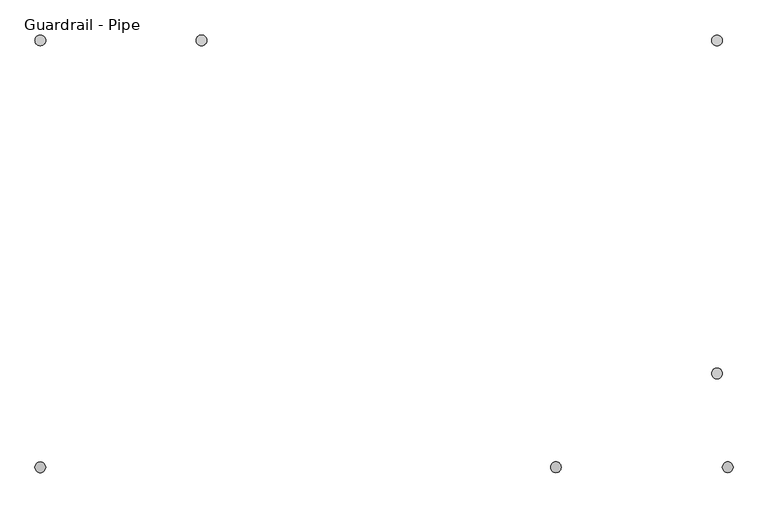
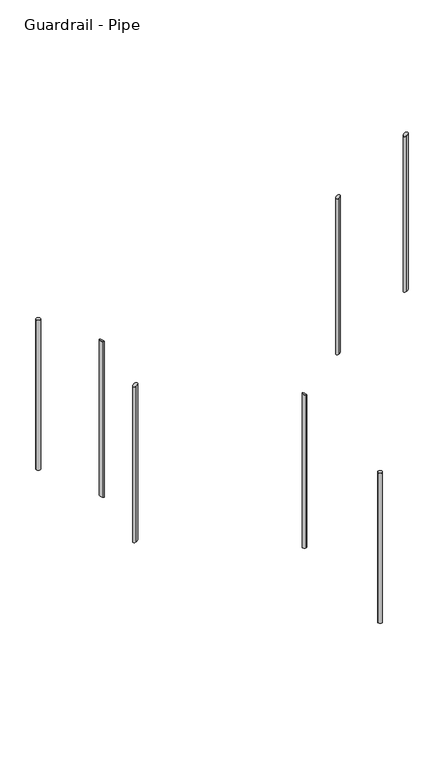
"""IFC4 building model written with IfcOpenShell, lengths in millimetres: railing geometry, Guardrail - Pipe."""

import ifcopenshell
import ifcopenshell.guid

model = None  # the IFC model being written
_history = None  # IfcOwnerHistory: only IFC2X3 demands one
_inside = {}  # id of a spatial element -> (the spatial element, [elements in it])
_under = {}  # id of a project, library or spatial element -> (it, [spatial elements below it])
_declared = {}  # id of a project -> (the project, [libraries it declares])
_typed = {}  # id of a type object -> (the type object, [elements of that type])
_made_of = {}  # id of a material, layer set ... -> (it, [elements and type objects made of it])


def new_model(schema):
    """Start an empty IFC model of exactly this schema.

    Asked for "IFC4X3", IfcOpenShell would pick the latest addendum, in which some entities
    have other attributes; the version numbers below select the first issue.
    IFC2X3 requires an IfcOwnerHistory on every rooted entity: one is made here for all.
    """
    global model, _history
    if schema == "IFC4X3":
        model = ifcopenshell.file(schema_version=(4, 3, 0, 0))
    else:
        model = ifcopenshell.file(schema=schema)
    _inside.clear()
    _under.clear()
    _declared.clear()
    _typed.clear()
    _made_of.clear()
    _history = None
    if model.schema == "IFC2X3":
        org = make("IfcOrganization", Name="unknown")
        user = make(
            "IfcPersonAndOrganization",
            ThePerson=make("IfcPerson", FamilyName="unknown"),
            TheOrganization=org,
        )
        app = make(
            "IfcApplication",
            ApplicationDeveloper=org,
            Version="unknown",
            ApplicationFullName="unknown",
            ApplicationIdentifier="unknown",
        )
        _history = make(
            "IfcOwnerHistory",
            OwningUser=user,
            OwningApplication=app,
            ChangeAction="ADDED",
            CreationDate=0,
        )
    return model


def make(cls, **values):
    """One entity of the class cls with the attributes given. An attribute that is None is left unset."""
    return model.create_entity(
        cls, **{name: value for name, value in values.items() if value is not None}
    )


def rooted(cls, **values):
    """An entity with a GlobalId (a new one), such as an element, a storey or a relation."""
    return make(cls, GlobalId=ifcopenshell.guid.new(), OwnerHistory=_history, **values)


def si_unit(unit_type, name, prefix=None):
    """IfcSIUnit, for example si_unit("LENGTHUNIT", "METRE", prefix="MILLI")."""
    return make("IfcSIUnit", UnitType=unit_type, Prefix=prefix, Name=name)


def assignment(units):
    """IfcUnitAssignment: the units of a project."""
    return None if units is None else make("IfcUnitAssignment", Units=units)


def point(xyz):
    """IfcCartesianPoint."""
    return None if xyz is None else make("IfcCartesianPoint", Coordinates=xyz)


def direction(xyz):
    """IfcDirection."""
    return None if xyz is None else make("IfcDirection", DirectionRatios=xyz)


def frame(location, z_axis=None, x_axis=None):
    """IfcAxis2Placement3D, a coordinate frame: its origin and axes. An axis left out is left unset."""
    return make(
        "IfcAxis2Placement3D",
        Location=point(location),
        Axis=direction(z_axis),
        RefDirection=direction(x_axis),
    )


def frame_2d(location, x_axis=None):
    """IfcAxis2Placement2D, a coordinate frame in the plane: its origin and x axis."""
    return make(
        "IfcAxis2Placement2D", Location=point(location), RefDirection=direction(x_axis)
    )


def origin():
    """The frame at (0, 0, 0) with its axes left unset."""
    return frame((0.0, 0.0, 0.0))


def place(relative_to, where):
    """IfcLocalPlacement: puts the frame where relative to a parent placement (None: the world)."""
    return make(
        "IfcLocalPlacement", PlacementRelTo=relative_to, RelativePlacement=where
    )


def context(
    kind, dimensions, precision=None, world=None, true_north=None, identifier=None
):
    """IfcGeometricRepresentationContext, for example the 3D "Model" context."""
    return make(
        "IfcGeometricRepresentationContext",
        ContextIdentifier=identifier,
        ContextType=kind,
        CoordinateSpaceDimension=dimensions,
        Precision=precision,
        WorldCoordinateSystem=world,
        TrueNorth=true_north,
    )


def project(units=None, contexts=None):
    """IfcProject with its units and contexts."""
    return rooted(
        "IfcProject",
        Name="project",
        RepresentationContexts=contexts,
        UnitsInContext=assignment(units),
    )


def spatial(cls, under=None, at=None, **own):
    """A site, building, storey or space (cls), placed at a placement, below another one or the project."""
    s = rooted(cls, ObjectPlacement=at, **own)
    if under is not None:
        _under.setdefault(under.id(), (under, []))[1].append(s)
    return s


def circle_curve(where, radius):
    """IfcCircle in the frame where."""
    return make("IfcCircle", Position=where, Radius=radius)


def ellipse_curve(where, semi_axis1, semi_axis2):
    """IfcEllipse in the frame where."""
    return make(
        "IfcEllipse", Position=where, SemiAxis1=semi_axis1, SemiAxis2=semi_axis2
    )


def trimmed(basis, trim1, trim2, sense, master):
    """IfcTrimmedCurve: the piece of a basis curve between two trims."""
    return make(
        "IfcTrimmedCurve",
        BasisCurve=basis,
        Trim1=trim1,
        Trim2=trim2,
        SenseAgreement=sense,
        MasterRepresentation=master,
    )


def segment(curve, same_sense, transition):
    """IfcCompositeCurveSegment."""
    return make(
        "IfcCompositeCurveSegment",
        Transition=transition,
        SameSense=same_sense,
        ParentCurve=curve,
    )


def composite_curve(segments, self_intersect=None):
    """IfcCompositeCurve: segments joined end to end."""
    return make("IfcCompositeCurve", Segments=segments, SelfIntersect=self_intersect)


def outline(outer, holes=None, kind="AREA"):
    """IfcArbitraryClosedProfileDef: a profile drawn as a closed curve; with holes, ...WithVoids."""
    if holes is None:
        return make("IfcArbitraryClosedProfileDef", ProfileType=kind, OuterCurve=outer)
    return make(
        "IfcArbitraryProfileDefWithVoids",
        ProfileType=kind,
        OuterCurve=outer,
        InnerCurves=holes,
    )


def extrude(swept, where, along, depth):
    """IfcExtrudedAreaSolid: the profile swept, set in the frame where, extruded along a direction by depth."""
    return make(
        "IfcExtrudedAreaSolid",
        SweptArea=swept,
        Position=where,
        ExtrudedDirection=direction(along),
        Depth=depth,
    )


def shape(context_of_items, identifier, shape_type, items):
    """IfcShapeRepresentation: the items that make up one representation, for example the "Body"."""
    return make(
        "IfcShapeRepresentation",
        ContextOfItems=context_of_items,
        RepresentationIdentifier=identifier,
        RepresentationType=shape_type,
        Items=items,
    )


def source(mapping_origin, context_of_items, identifier, shape_type, items):
    """IfcRepresentationMap: a shape defined once, which mapped items show again and again."""
    return make(
        "IfcRepresentationMap",
        MappingOrigin=mapping_origin,
        MappedRepresentation=shape(context_of_items, identifier, shape_type, items),
    )


def transform(
    local_origin,
    x_axis=None,
    y_axis=None,
    z_axis=None,
    scale=None,
    scale2=None,
    scale3=None,
    uniform=True,
):
    """IfcCartesianTransformationOperator3D, or its non-uniform kind. x_axis, y_axis, z_axis: its Axis1, 2, 3."""
    if uniform:
        return make(
            "IfcCartesianTransformationOperator3D",
            Axis1=direction(x_axis),
            Axis2=direction(y_axis),
            LocalOrigin=point(local_origin),
            Scale=scale,
            Axis3=direction(z_axis),
        )
    return make(
        "IfcCartesianTransformationOperator3DnonUniform",
        Axis1=direction(x_axis),
        Axis2=direction(y_axis),
        LocalOrigin=point(local_origin),
        Scale=scale,
        Axis3=direction(z_axis),
        Scale2=scale2,
        Scale3=scale3,
    )


def mapped(mapping_source, mapping_target):
    """IfcMappedItem: shows the shape of a source again, moved by a transform."""
    return make(
        "IfcMappedItem", MappingSource=mapping_source, MappingTarget=mapping_target
    )


def made_of(thing, what):
    """Note that an element or type object is made of a material, layer set ...; save() writes the relation."""
    if what is not None:
        _made_of.setdefault(what.id(), (what, []))[1].append(thing)
    return thing


def element(
    cls,
    number,
    at=None,
    inside=None,
    cuts=None,
    type_object=None,
    material=None,
    context=None,
    identifier="Body",
    shape_type=None,
    held_by="IfcProductDefinitionShape",
    body=None,
    shapes=None,
    **own,
):
    """One element of the class cls, such as IfcWall. Its Tag is "e" and its number.

    at: its placement. inside: the storey or other place that contains it. cuts: it is an
    opening in that element (IfcRelVoidsElement). A single representation is given by context,
    identifier, shape_type and body (its items); several are given by shapes. held_by: the class
    of the entity that holds the representations. save() writes the other relations.
    """
    e = rooted(cls, Tag="e%d" % number, ObjectPlacement=at, **own)
    if body is not None:
        shapes = [shape(context, identifier, shape_type, body)]
    if shapes is not None:
        e.Representation = make(held_by, Representations=shapes)
    if inside is not None:
        _inside.setdefault(inside.id(), (inside, []))[1].append(e)
    if cuts is not None:
        rooted(
            "IfcRelVoidsElement", RelatingBuildingElement=cuts, RelatedOpeningElement=e
        )
    if type_object is not None:
        _typed.setdefault(type_object.id(), (type_object, []))[1].append(e)
    return made_of(e, material)


def aggregate(whole, parts):
    """IfcRelAggregates: a whole, such as a stair, and the parts it consists of."""
    return rooted("IfcRelAggregates", RelatingObject=whole, RelatedObjects=parts)


def save(model, path):
    """Write the relations noted so far, then the file.

    IfcRelAggregates (storeys below a building ...), IfcRelContainedInSpatialStructure (elements
    in a storey), IfcRelDefinesByType, IfcRelAssociatesMaterial and IfcRelDeclares: one each for
    every whole, place, type object, material and project.
    """
    for whole, parts in _under.values():
        aggregate(whole, parts)
    for where, things in _inside.values():
        rooted(
            "IfcRelContainedInSpatialStructure",
            RelatedElements=things,
            RelatingStructure=where,
        )
    for kind, things in _typed.values():
        rooted("IfcRelDefinesByType", RelatedObjects=things, RelatingType=kind)
    for what, things in _made_of.values():
        rooted("IfcRelAssociatesMaterial", RelatedObjects=things, RelatingMaterial=what)
    for by, libraries in _declared.values():
        rooted("IfcRelDeclares", RelatingContext=by, RelatedDefinitions=libraries)
    model.write(path)


def plane_surface(at):
    """IfcPlane: the flat surface through the origin of the frame at, square to its z axis."""
    return make("IfcPlane", Position=at)


def cylinder_surface(at, radius):
    """IfcCylindricalSurface: all points at the distance radius from the z axis of the frame at."""
    return make("IfcCylindricalSurface", Position=at, Radius=radius)


def advanced_brep(points, edges, surfaces, faces):
    """IfcAdvancedBrep: a solid bounded by faces that lie on surfaces and meet in shared edges.

    An edge is (start, end): straight between two places in points (the first is 0);
    or (start, end, curve); or (start, end, curve, False) where it runs against its curve.
    A face is (place in surfaces, loops), or (place, loops, False) where it looks against
    its surface's normal. A loop lists edges by number (the first is 1), with a minus sign
    where the edge is run from its end to its start. The first loop is the outer one.
    """
    corners = [point(p) for p in points]
    vertices = [make("IfcVertexPoint", VertexGeometry=c) for c in corners]
    made = []
    for start, end, *more in edges:
        made.append(
            make(
                "IfcEdgeCurve",
                EdgeStart=vertices[start],
                EdgeEnd=vertices[end],
                EdgeGeometry=more[0] if more else make("IfcPolyline", Points=[corners[start], corners[end]]),
                SameSense=more[1] if len(more) > 1 else True,
            )
        )
    hull = []
    for where, loops, *sense in faces:
        bounds = []
        for j, loop in enumerate(loops):
            ring = [make("IfcOrientedEdge", EdgeElement=made[abs(k) - 1], Orientation=k > 0) for k in loop]
            bounds.append(
                make(
                    "IfcFaceOuterBound" if j == 0 else "IfcFaceBound",
                    Bound=make("IfcEdgeLoop", EdgeList=ring),
                    Orientation=True,
                )
            )
        hull.append(make("IfcAdvancedFace", Bounds=bounds, FaceSurface=surfaces[where], SameSense=sense[0] if sense else True))
    return make("IfcAdvancedBrep", Outer=make("IfcClosedShell", CfsFaces=hull))


def guardrail_pipe_ece45ab3(model_context):
    return source(origin(), model_context, "Body", "SolidModel", [
        advanced_brep(
        [(41997.1404695, 54183.1229583, 5612.8488816), (41997.1404695, 54157.7229583, 5612.8488816), (41997.1404695, 54157.7229583, 4624.8911772), (41997.1404695, 54183.1229583, 4624.8911772)],
        [
            (0, 1, ellipse_curve(frame((41997.1404695, 54170.4229583, 5612.8488816), z_axis=(0.5326562891180752, 0.0, -0.8463316593764891), x_axis=(0.8463316593764891, 0.0, 0.5326562891180748)), 15.0059375, 12.7)),
            (1, 2),
            (2, 3, ellipse_curve(frame((41997.1404695, 54170.4229583, 4624.8911772), z_axis=(-0.5326562891180766, 0.0, 0.8463316593764881), x_axis=(0.846331659376488, 0.0, 0.5326562891180766)), 15.0059375, 12.7)),
            (3, 0),
            (3, 2, ellipse_curve(frame((41997.1404695, 54170.4229583, 4624.8911772), z_axis=(-0.5326562891180766, 0.0, 0.8463316593764881), x_axis=(0.846331659376488, 0.0, 0.5326562891180766)), 15.0059375, 12.7)),
            (1, 0, ellipse_curve(frame((41997.1404695, 54170.4229583, 5612.8488816), z_axis=(0.5326562891180752, 0.0, -0.8463316593764891), x_axis=(0.8463316593764891, 0.0, 0.5326562891180748)), 15.0059375, 12.7)),
        ],
        [
            cylinder_surface(frame((41997.1404695, 54170.4229583, 4396.2911772), z_axis=(0.0, 0.0, 1.0), x_axis=(0.0, -1.0, 0.0)), 12.7),
            plane_surface(frame((42022.5404695, 54145.0229583, 5628.8348956), z_axis=(-0.5326562891180752, 0.0, 0.8463316593764891), x_axis=(0.0, 1.0, 0.0))),
            plane_surface(frame((41971.7404695, 54145.0229583, 4608.9051632), z_axis=(0.5326562891180766, 0.0, -0.8463316593764881), x_axis=(0.0, 1.0, 0.0))),
        ],
        [
            (0, [[1, 2, 3, 4]]),
            (0, [[5, -2, 6, -4]]),
            (1, [[-6, -1]]),
            (2, [[-5, -3]]),
        ],
    ),
        advanced_brep(
        [(41158.9404695, 55167.2527338, 4381.9258047), (41158.9404695, 55192.6527338, 4381.9258047), (41158.9404695, 55192.6527338, 3393.9681002), (41158.9404695, 55167.2527338, 3393.9681002)],
        [
            (0, 1, ellipse_curve(frame((41158.9404695, 55179.9527338, 4381.9258047), z_axis=(-0.5326562891180752, 0.0, -0.8463316593764891), x_axis=(-0.8463316593764891, 0.0, 0.5326562891180748)), 15.0059375, 12.7)),
            (1, 2),
            (2, 3, ellipse_curve(frame((41158.9404695, 55179.9527338, 3393.9681002), z_axis=(0.5326562891180766, 0.0, 0.8463316593764881), x_axis=(-0.846331659376488, 0.0, 0.5326562891180766)), 15.0059375, 12.7)),
            (3, 0),
            (3, 2, ellipse_curve(frame((41158.9404695, 55179.9527338, 3393.9681002), z_axis=(0.5326562891180766, 0.0, 0.8463316593764881), x_axis=(-0.846331659376488, 0.0, 0.5326562891180766)), 15.0059375, 12.7)),
            (1, 0, ellipse_curve(frame((41158.9404695, 55179.9527338, 4381.9258047), z_axis=(-0.5326562891180752, 0.0, -0.8463316593764891), x_axis=(-0.8463316593764891, 0.0, 0.5326562891180748)), 15.0059375, 12.7)),
        ],
        [
            cylinder_surface(frame((41158.9404695, 55179.9527338, 3165.3681002), z_axis=(0.0, 0.0, 1.0), x_axis=(0.0, 1.0, 0.0)), 12.7),
            plane_surface(frame((41133.5404695, 55205.3527338, 4397.9118187), z_axis=(0.5326562891180752, 0.0, 0.8463316593764891), x_axis=(0.0, -1.0, 0.0))),
            plane_surface(frame((41184.3404695, 55205.3527338, 3377.9820862), z_axis=(-0.5326562891180766, 0.0, -0.8463316593764881), x_axis=(0.0, -1.0, 0.0))),
        ],
        [
            (0, [[1, 2, 3, 4]]),
            (0, [[5, -2, 6, -4]]),
            (1, [[-6, -1]]),
            (2, [[-5, -3]]),
        ],
    ),
        advanced_brep(
        [(40777.9404695, 54183.1229583, 4845.5202103), (40777.9404695, 54157.7229583, 4845.5202103), (40777.9404695, 54157.7229583, 3857.5625058), (40777.9404695, 54183.1229583, 3857.5625058)],
        [
            (0, 1, ellipse_curve(frame((40777.9404695, 54170.4229583, 4845.5202103), z_axis=(0.5326562891180752, 0.0, -0.8463316593764891), x_axis=(0.8463316593764891, 0.0, 0.5326562891180748)), 15.0059375, 12.7)),
            (1, 2),
            (2, 3, ellipse_curve(frame((40777.9404695, 54170.4229583, 3857.5625058), z_axis=(-0.5326562891180766, 0.0, 0.8463316593764881), x_axis=(0.846331659376488, 0.0, 0.5326562891180766)), 15.0059375, 12.7)),
            (3, 0),
            (3, 2, ellipse_curve(frame((40777.9404695, 54170.4229583, 3857.5625058), z_axis=(-0.5326562891180766, 0.0, 0.8463316593764881), x_axis=(0.846331659376488, 0.0, 0.5326562891180766)), 15.0059375, 12.7)),
            (1, 0, ellipse_curve(frame((40777.9404695, 54170.4229583, 4845.5202103), z_axis=(0.5326562891180752, 0.0, -0.8463316593764891), x_axis=(0.8463316593764891, 0.0, 0.5326562891180748)), 15.0059375, 12.7)),
        ],
        [
            cylinder_surface(frame((40777.9404695, 54170.4229583, 3628.9625058), z_axis=(0.0, 0.0, 1.0), x_axis=(0.0, -1.0, 0.0)), 12.7),
            plane_surface(frame((40803.3404695, 54145.0229583, 4861.5062243), z_axis=(-0.5326562891180752, 0.0, 0.8463316593764891), x_axis=(0.0, 1.0, 0.0))),
            plane_surface(frame((40752.5404695, 54145.0229583, 3841.5764918), z_axis=(0.5326562891180766, 0.0, -0.8463316593764881), x_axis=(0.0, 1.0, 0.0))),
        ],
        [
            (0, [[1, 2, 3, 4]]),
            (0, [[5, -2, 6, -4]]),
            (1, [[-6, -1]]),
            (2, [[-5, -3]]),
        ],
    ),
        extrude(outline(composite_curve([segment(trimmed(circle_curve(frame_2d((40777.9404695, 55179.9527338)), 12.7), [point((40765.2404695, 55179.9527338))], [point((40790.6404695, 55179.9527338))], False, "CARTESIAN"), True, "CONTINUOUS"), segment(trimmed(circle_curve(frame_2d((40777.9404695, 55179.9527338)), 12.7), [point((40790.6404695, 55179.9527338))], [point((40765.2404695, 55179.9527338))], False, "CARTESIAN"), True, "CONTINUOUS")], self_intersect=False)), frame((0.0, 0.0, 3700.112848), z_axis=(0.0, 0.0, 1.0), x_axis=(1.0, 0.0, 0.0)), (0.0, 0.0, 1.0), 952.5),
        advanced_brep(
        [(42378.1404695, 55167.2527338, 3614.5971333), (42378.1404695, 55192.6527338, 3614.5971333), (42378.1404695, 55192.6527338, 2645.0359249), (42378.1404695, 55167.2527338, 2645.0359249)],
        [
            (0, 1, ellipse_curve(frame((42378.1404695, 55179.9527338, 3614.5971333), z_axis=(-0.5326562891180752, 0.0, -0.8463316593764891), x_axis=(-0.8463316593764891, 0.0, 0.5326562891180748)), 15.0059375, 12.7)),
            (1, 2),
            (2, 3, circle_curve(frame((42378.1404695, 55179.9527338, 2645.0359249), z_axis=(0.0, 0.0, 1.0), x_axis=(0.0, 1.0, 0.0)), 12.7)),
            (3, 0),
            (3, 2, circle_curve(frame((42378.1404695, 55179.9527338, 2645.0359249), z_axis=(0.0, 0.0, 1.0), x_axis=(0.0, 1.0, 0.0)), 12.7)),
            (1, 0, ellipse_curve(frame((42378.1404695, 55179.9527338, 3614.5971333), z_axis=(-0.5326562891180752, 0.0, -0.8463316593764891), x_axis=(-0.8463316593764891, 0.0, 0.5326562891180748)), 15.0059375, 12.7)),
        ],
        [
            cylinder_surface(frame((42378.1404695, 55179.9527338, 2416.4359249), z_axis=(0.0, 0.0, 1.0), x_axis=(0.0, 1.0, 0.0)), 12.7),
            plane_surface(frame((42352.7404695, 55205.3527338, 3630.5831473), z_axis=(0.5326562891180752, 0.0, 0.8463316593764891), x_axis=(0.0, -1.0, 0.0))),
            plane_surface(frame((42403.5404695, 55205.3527338, 2645.0359249), z_axis=(0.0, 0.0, -1.0), x_axis=(0.0, -1.0, 0.0))),
        ],
        [
            (0, [[1, 2, 3, 4]]),
            (0, [[5, -2, 6, -4]]),
            (1, [[-6, -1]]),
            (2, [[-5, -3]]),
        ],
    ),
        advanced_brep(
        [(42403.5404695, 54183.1229583, 5868.6251054), (42403.5404695, 54157.7229583, 5868.6251054), (42403.5404695, 54157.7229583, 4880.6674009), (42403.5404695, 54183.1229583, 4880.6674009)],
        [
            (0, 1, ellipse_curve(frame((42403.5404695, 54170.4229583, 5868.6251054), z_axis=(0.5326562891180752, 0.0, -0.8463316593764891), x_axis=(0.8463316593764891, 0.0, 0.5326562891180748)), 15.0059375, 12.7)),
            (1, 2),
            (2, 3, ellipse_curve(frame((42403.5404695, 54170.4229583, 4880.6674009), z_axis=(-0.5326562891180766, 0.0, 0.8463316593764881), x_axis=(0.846331659376488, 0.0, 0.5326562891180766)), 15.0059375, 12.7)),
            (3, 0),
            (3, 2, ellipse_curve(frame((42403.5404695, 54170.4229583, 4880.6674009), z_axis=(-0.5326562891180766, 0.0, 0.8463316593764881), x_axis=(0.846331659376488, 0.0, 0.5326562891180766)), 15.0059375, 12.7)),
            (1, 0, ellipse_curve(frame((42403.5404695, 54170.4229583, 5868.6251054), z_axis=(0.5326562891180752, 0.0, -0.8463316593764891), x_axis=(0.8463316593764891, 0.0, 0.5326562891180748)), 15.0059375, 12.7)),
        ],
        [
            cylinder_surface(frame((42403.5404695, 54170.4229583, 4652.0674009), z_axis=(0.0, 0.0, 1.0), x_axis=(0.0, -1.0, 0.0)), 12.7),
            plane_surface(frame((42428.9404695, 54145.0229583, 5884.6111194), z_axis=(-0.5326562891180752, 0.0, 0.8463316593764891), x_axis=(0.0, 1.0, 0.0))),
            plane_surface(frame((42378.1404695, 54145.0229583, 4864.6813869), z_axis=(0.5326562891180766, 0.0, -0.8463316593764881), x_axis=(0.0, 1.0, 0.0))),
        ],
        [
            (0, [[1, 2, 3, 4]]),
            (0, [[5, -2, 6, -4]]),
            (1, [[-6, -1]]),
            (2, [[-5, -3]]),
        ],
    ),
        extrude(outline(composite_curve([segment(trimmed(circle_curve(frame_2d((42378.1404695, 54392.5527338)), 12.7), [point((42390.8404695, 54392.5527338))], [point((42365.4404695, 54392.5527338))], False, "CARTESIAN"), True, "CONTINUOUS"), segment(trimmed(circle_curve(frame_2d((42378.1404695, 54392.5527338)), 12.7), [point((42365.4404695, 54392.5527338))], [point((42390.8404695, 54392.5527338))], False, "CARTESIAN"), True, "CONTINUOUS")], self_intersect=False)), frame((0.0, 0.0, 2645.0359249), z_axis=(0.0, 0.0, 1.0), x_axis=(1.0, 0.0, 0.0)), (0.0, 0.0, 1.0), 952.5),
    ])


if __name__ == "__main__":
    model = new_model("IFC4")
    model_context = context("Model", 3, world=origin())
    ifc_project = project(units=[si_unit("LENGTHUNIT", "METRE", prefix="MILLI")], contexts=[model_context])
    site = spatial("IfcSite", under=ifc_project)
    building = spatial("IfcBuilding", under=site)
    placement = place(None, origin())
    guardrail_pipe_shape = guardrail_pipe_ece45ab3(model_context)
    element("IfcRailing", 1, ObjectType="Guardrail - Pipe", at=placement, inside=building, context=model_context, shape_type="MappedRepresentation", body=[
        mapped(guardrail_pipe_shape, transform((0.0, 0.0, 0.0), x_axis=(1.0, 0.0, 0.0), y_axis=(0.0, 1.0, 0.0), z_axis=(0.0, 0.0, 1.0))),
    ])
    save(model, "model.ifc")
